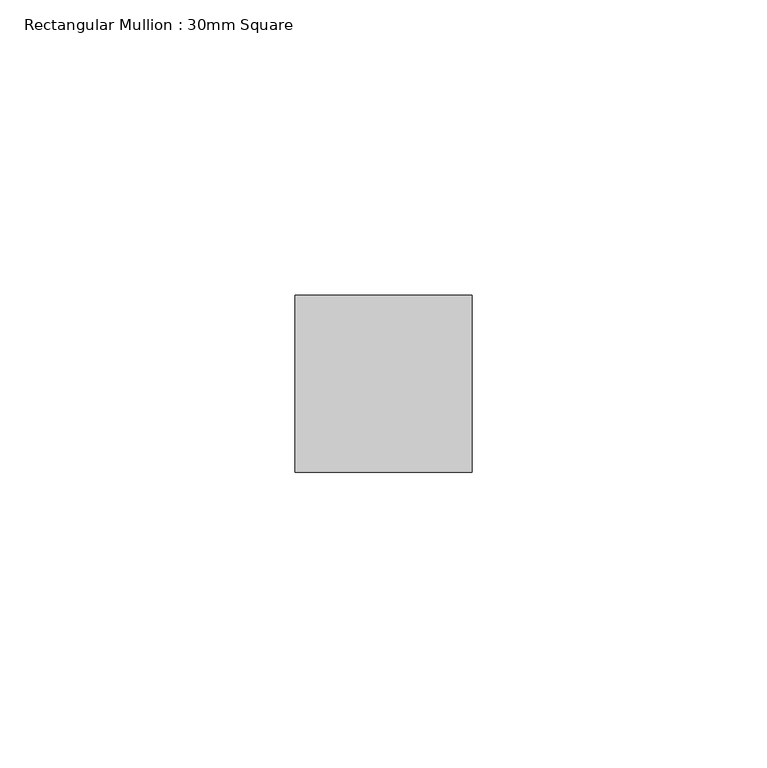
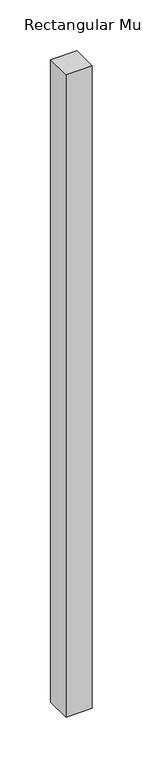
"""IFC4 building model written with IfcOpenShell, lengths in millimetres: member geometry, Rectangular Mullion : 30mm Square."""

from ifc_helpers import new_model, si_unit, frame, origin, place, context, project, spatial, polyline, outline, extrude, source, transform, mapped, element, save


def rectangular_mullion_30mm_square_5f6d5d9f(model_context):
    return source(origin(), model_context, "Body", "SweptSolid", [
        extrude(outline(polyline([(0.0, 15.0), (0.0, -15.0), (-30.0, -15.0), (-30.0, 15.0), (0.0, 15.0)])), frame((0.0, 0.0, -772.3076815), z_axis=(0.0, 0.0, 1.0), x_axis=(1.0, 0.0, 0.0)), (0.0, 0.0, 1.0), 772.3076815),
    ])


if __name__ == "__main__":
    model = new_model("IFC4")
    model_context = context("Model", 3, world=origin())
    ifc_project = project(units=[si_unit("LENGTHUNIT", "METRE", prefix="MILLI")], contexts=[model_context])
    site = spatial("IfcSite", under=ifc_project)
    building = spatial("IfcBuilding", under=site)
    placement = place(None, origin())
    rectangular_mullion_30mm_square_shape = rectangular_mullion_30mm_square_5f6d5d9f(model_context)
    element("IfcMember", 1, ObjectType="Rectangular Mullion : 30mm Square", at=placement, inside=building, context=model_context, shape_type="MappedRepresentation", body=[
        mapped(rectangular_mullion_30mm_square_shape, transform((0.0, 0.0, 0.0), x_axis=(1.0, 0.0, 0.0), y_axis=(0.0, 1.0, 0.0), z_axis=(0.0, 0.0, 1.0))),
    ])
    save(model, "model.ifc")
